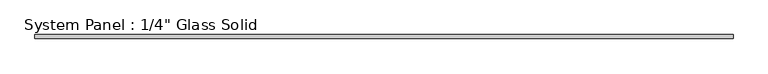
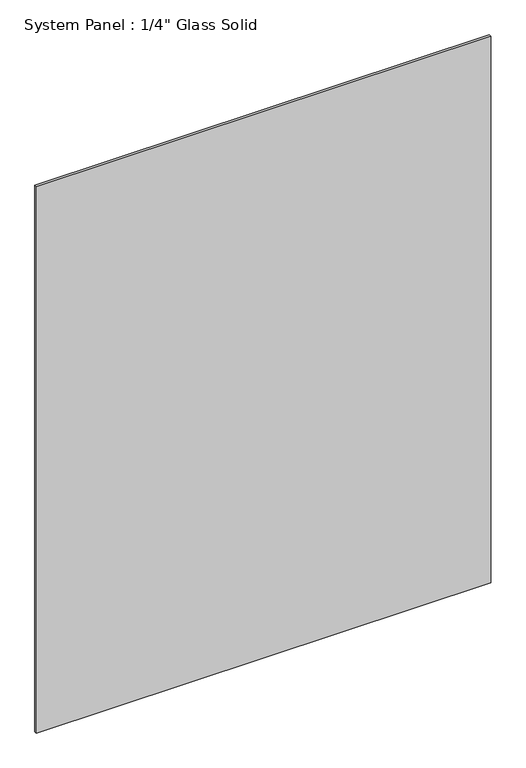
"""IFC4 building model written with IfcOpenShell, lengths in millimetres: plate geometry."""

from ifc_helpers import new_model, si_unit, origin, origin_with_axes, place, context, project, spatial, polyline, outline, extrude, source, transform, mapped, element, save


def plate_43bd4952(model_context):
    return source(origin(), model_context, "Body", "SweptSolid", [
        extrude(outline(polyline([(548.6970691, -3.175), (-548.6970691, -3.175), (-548.6970691, 3.175), (548.6970691, 3.175), (548.6970691, -3.175)])), origin_with_axes(), (0.0, 0.0, 1.0), 1394.5741382),
    ])


if __name__ == "__main__":
    model = new_model("IFC4")
    model_context = context("Model", 3, world=origin())
    ifc_project = project(units=[si_unit("LENGTHUNIT", "METRE", prefix="MILLI")], contexts=[model_context])
    site = spatial("IfcSite", under=ifc_project)
    building = spatial("IfcBuilding", under=site)
    placement = place(None, origin())
    plate_shape = plate_43bd4952(model_context)
    element("IfcPlate", 1, ObjectType="System Panel : 1/4\" Glass Solid", at=placement, inside=building, context=model_context, shape_type="MappedRepresentation", body=[
        mapped(plate_shape, transform((0.0, 0.0, 0.0), x_axis=(1.0, 0.0, 0.0), y_axis=(0.0, 1.0, 0.0), z_axis=(0.0, 0.0, 1.0))),
    ])
    save(model, "model.ifc")
